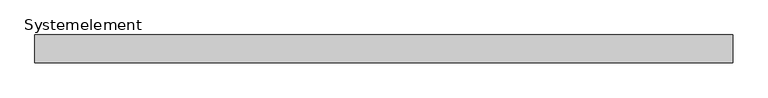
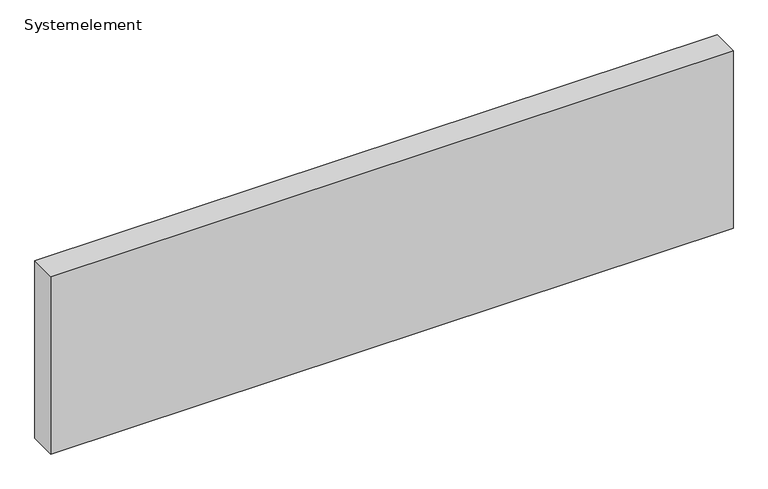
"""IFC4 building model written with IfcOpenShell, lengths in millimetres: plate geometry, Systemelement."""

from ifc_helpers import new_model, si_unit, origin, origin_with_axes, place, context, project, spatial, polyline, outline, extrude, source, transform, mapped, element, save


def systemelement_f76abac0(model_context):
    return source(origin(), model_context, "Body", "SweptSolid", [
        extrude(outline(polyline([(2000.0, -160.0), (-2000.0, -160.0), (-2000.0, 0.0), (2000.0, 0.0), (2000.0, -160.0)])), origin_with_axes(), (0.0, 0.0, 1.0), 1100.0),
    ])


if __name__ == "__main__":
    model = new_model("IFC4")
    model_context = context("Model", 3, world=origin())
    ifc_project = project(units=[si_unit("LENGTHUNIT", "METRE", prefix="MILLI")], contexts=[model_context])
    site = spatial("IfcSite", under=ifc_project)
    building = spatial("IfcBuilding", under=site)
    placement = place(None, origin())
    systemelement_shape = systemelement_f76abac0(model_context)
    element("IfcPlate", 1, ObjectType="Systemelement", at=placement, inside=building, context=model_context, shape_type="MappedRepresentation", body=[
        mapped(systemelement_shape, transform((0.0, 0.0, 0.0), x_axis=(1.0, 0.0, 0.0), y_axis=(0.0, 1.0, 0.0), z_axis=(0.0, 0.0, 1.0))),
    ])
    save(model, "model.ifc")
